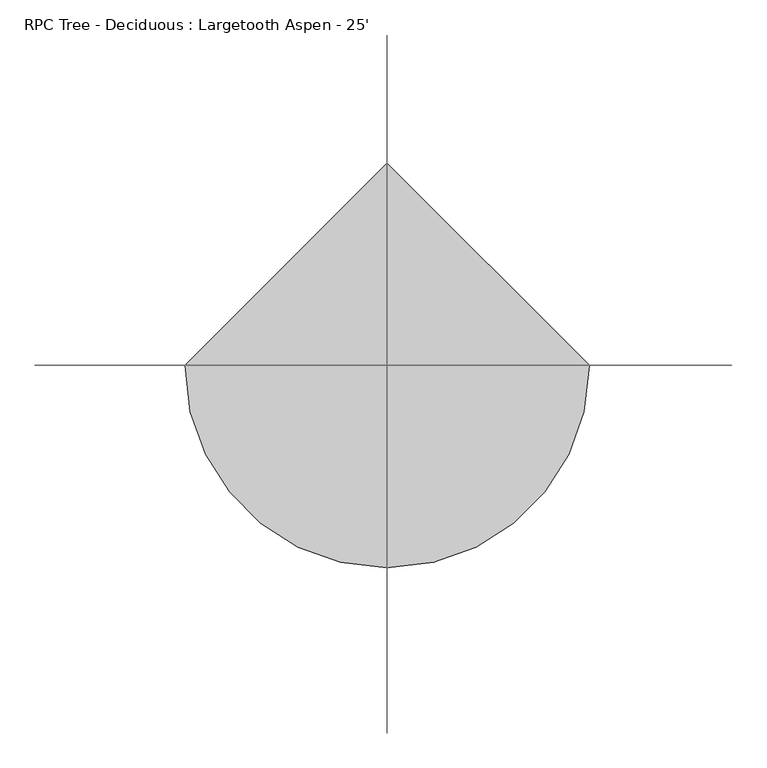
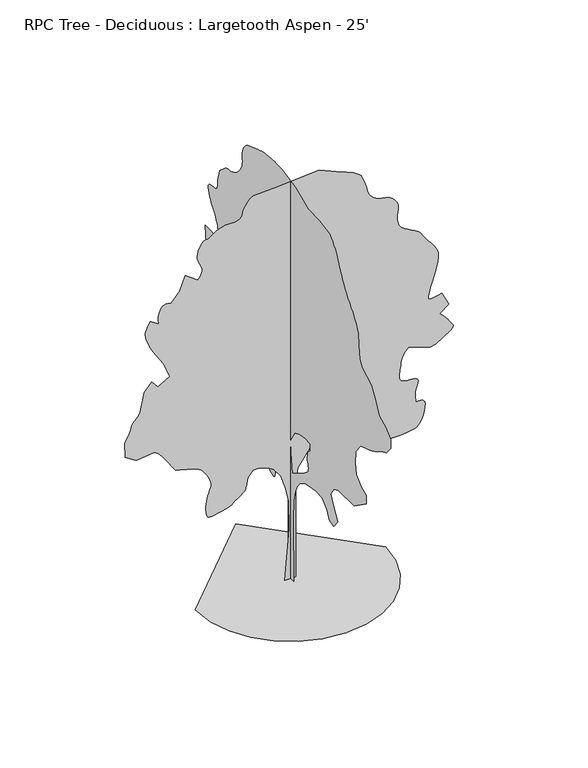
"""IFC4 building model written with IfcOpenShell, lengths in millimetres: geographic element geometry, RPC Tree - Deciduous : Largetooth Aspen - 25'."""

from ifc_helpers import new_model, si_unit, origin, place, context, project, spatial, triangles, source, transform, mapped, element, save


def rpc_tree_deciduous_largetooth_aspen_25_f6cd7aa4(model_context):
    return source(origin(), model_context, "Body", "Tessellation", [
        triangles([(93.1061447, 0.000407, 0.0055275), (-104.1894253, 0.000407, 0.0055275), (-22.9504001, 0.0003503, 951.6658939), (-34.5559031, 0.0003185, 1485.5251682), (-92.5836657, 0.0003019, 1764.061219), (-173.8237105, 0.0002874, 2007.7790462), (-301.4849952, 0.000277, 2181.8628971), (-405.9347789, 0.0002735, 2239.8916225), (-568.4133425, 0.0002701, 2297.9204933), (-684.470866, 0.0002701, 2297.9204933), (-765.710166, 0.000277, 2181.8628971), (-800.5284622, 0.000286, 2030.9895481), (-803.4037228, 0.000287, 2013.4305908), (-808.6158319, 0.0002881, 1994.9546837), (-818.4938627, 0.0002893, 1974.6550507), (-835.3797506, 0.0002907, 1951.6121258), (-861.6001705, 0.0002923, 1924.9168076), (-899.4969126, 0.0002942, 1893.6518555), (-951.4017385, 0.0002963, 1856.9058426), (-1000.9367964, 0.0002984, 1821.7851665), (-1035.041328, 0.0003, 1794.7824543), (-1061.0280413, 0.0003013, 1774.0764507), (-1086.2019407, 0.0003023, 1757.8357269), (-1117.8706472, 0.0003031, 1744.2340862), (-1163.3467958, 0.0003038, 1731.4425705), (-1229.9353912, 0.0003046, 1717.6377445), (-1303.2575146, 0.0003056, 1701.9735844), (-1364.6008633, 0.0003064, 1687.5234489), (-1414.7786144, 0.000307, 1678.356712), (-1454.6032185, 0.000307, 1678.5242889), (-1484.8875618, 0.0003062, 1692.0929375), (-1506.439444, 0.0003043, 1723.119096), (-1520.076693, 0.0003012, 1775.66647), (-1526.0305447, 0.0002975, 1838.229221), (-1525.0830734, 0.000294, 1896.7304466), (-1518.8575813, 0.0002907, 1951.3759483), (-1508.9769344, 0.0002877, 2002.3662952), (-1497.0669056, 0.0002848, 2049.9049633), (-1484.7505062, 0.0002822, 2094.1948471), (-1473.6532185, 0.0002797, 2135.4418934), (-1462.0149754, 0.0002776, 2171.5098953), (-1448.7511047, 0.0002758, 2202.2997311), (-1436.5031605, 0.000274, 2231.0600395), (-1427.9079002, 0.0002723, 2261.0397503), (-1425.6065872, 0.0002702, 2295.4845955), (-1432.2385952, 0.0002677, 2337.6435047), (-1450.4427166, 0.0002645, 2390.7649715), (-1477.2752357, 0.0002611, 2448.2171333), (-1507.353923, 0.000258, 2500.7976448), (-1539.6676483, 0.0002552, 2547.8968048), (-1573.1981598, 0.0002527, 2588.9178474), (-1606.9320019, 0.0002507, 2623.2079056), (-1639.8528122, 0.0002491, 2650.2080017), (-1670.950042, 0.0002479, 2669.3088707), (-1706.2051575, 0.000247, 2684.2184258), (-1751.2088058, 0.0002461, 2699.1535606), (-1804.330418, 0.0002453, 2714.0634064), (-1863.9491627, 0.0002444, 2728.9985413), (-1928.439703, 0.0002435, 2743.908387), (-1996.1788822, 0.0002426, 2758.8182327), (-2065.5412182, 0.0002417, 2773.7533676), (-2262.8354256, 0.0002244, 3063.8972855), (-2307.8392193, 0.0002208, 3124.7302002), (-2344.3134464, 0.0002181, 3169.7390808), (-2373.6809853, 0.0002162, 3201.539756), (-2397.3664581, 0.0002149, 3222.7742157), (-2416.7872204, 0.0002141, 3236.1091576), (-2433.3683304, 0.0002137, 3244.1609917), (-2448.5269981, 0.0002133, 3249.5711266), (-2773.4740242, 0.0002154, 3214.7732506), (-2970.7811668, 0.0002078, 3342.4334816), (-2982.3888885, 0.0001919, 3609.3616653), (-2960.1129227, 0.0001895, 3649.1127274), (-2938.5738304, 0.0001872, 3688.6606041), (-2918.4317459, 0.0001848, 3727.8273994), (-2900.4229614, 0.0001825, 3766.3590591), (-2885.2846413, 0.0001803, 3804.0779778), (-2873.6769196, 0.0001781, 3840.78097), (-2866.3363792, 0.000176, 3876.2901398), (-2854.8809738, 0.000174, 3909.843615), (-2833.1131165, 0.0001721, 3941.5934212), (-2804.8174599, 0.0001702, 3972.5051971), (-2773.8803947, 0.0001684, 4003.6457382), (-2744.1877304, 0.0001665, 4035.9798111), (-2719.5499901, 0.0001644, 4070.5745018), (-2703.8526924, 0.0001621, 4108.3951584), (-2634.2060715, 0.0001414, 4456.5779755), (-2494.950618, 0.0001324, 4607.4283607), (-2390.4982727, 0.00014, 4479.7681297), (-2169.9909473, 0.0001331, 4595.8459282), (-2286.0485435, 0.0001158, 4885.9645569), (-2471.7375, 9.85e-05, 5176.1084747), (-2494.0692764, 9.6e-05, 5217.3577011), (-2519.6494011, 9.3e-05, 5268.7673538), (-2546.0425575, 8.96e-05, 5326.2475662), (-2570.8076157, 8.6e-05, 5385.7596313), (-2591.5086777, 8.26e-05, 5443.2398438), (-2605.7325188, 7.95e-05, 5494.6494965), (-2611.0159172, 7.71e-05, 5535.8993042), (-2608.2980598, 7.5e-05, 5570.3669678), (-2600.7287544, 7.3e-05, 5604.2503647), (-2589.0701637, 7.1e-05, 5637.6006546), (-2574.1858978, 6.9e-05, 5670.544574), (-2556.863118, 6.71e-05, 5703.2088593), (-2537.9197975, 6.52e-05, 5735.6446701), (-2518.1611198, 6.32e-05, 5768.0037415), (-2367.2877708, 6.95e-05, 5663.5595352), (-2372.0934368, 6.75e-05, 5695.9697662), (-2375.8831764, 6.56e-05, 5728.8881058), (-2377.6407726, 6.35e-05, 5762.8226624), (-2376.3555313, 6.14e-05, 5798.2809631), (-2371.00891, 5.92e-05, 5835.7711166), (-2360.5873077, 5.68e-05, 5875.8018127), (-2344.077269, 5.42e-05, 5918.8799973), (-2322.4899239, 5.2e-05, 5956.5480469), (-2297.8569798, 5.05e-05, 5981.4145523), (-2270.6865452, 4.97e-05, 5995.6131042), (-2241.4867287, 4.93e-05, 6001.3028732), (-2210.7630226, 4.94e-05, 6000.5918701), (-2179.0257156, 4.97e-05, 5995.6131042), (-2146.7804455, 5.01e-05, 5988.501329), (-1995.9070965, 3.97e-05, 6162.5924469), (-1891.4573673, 2.45e-05, 6417.9129089), (-1670.950042, 3.42e-05, 6255.4298035), (-1648.8215961, 3.24e-05, 6285.3250717), (-1628.2145691, 3.06e-05, 6315.3988174), (-1610.6529957, 2.88e-05, 6345.8789337), (-1597.6609108, 2.69e-05, 6376.9683151), (-1590.7597332, 2.5e-05, 6408.8960175), (-1591.4684109, 2.31e-05, 6441.814357), (-1601.3160656, 2.1e-05, 6475.9523895), (-1617.3536041, 1.89e-05, 6510.877002), (-1634.407069, 1.68e-05, 6546.3864624), (-1650.6477928, 1.46e-05, 6583.140033), (-1664.2495789, 1.23e-05, 6621.7225616), (-1673.3859398, 9.9e-06, 6662.7183151), (-1676.2282082, 7.3e-06, 6706.761557), (-1670.950042, 4.4e-06, 6754.488295), (-1658.2957272, 1.5e-06, 6803.2306686), (-1640.7672913, -1.2e-06, 6848.9505524), (-1619.1798008, -3.6e-06, 6889.9968842), (-1594.3462875, -5.7e-06, 6924.7441818), (-1567.0742603, -7.3e-06, 6951.5663818), (-1538.1767509, -8.4e-06, 6968.8641632), (-1508.471442, -8.7e-06, 6974.9853012), (-1475.2102455, -9.2e-06, 6983.3417679), (-1435.6574272, -1.05e-05, 7004.9067307), (-1390.6206413, -1.23e-05, 7034.3706299), (-1340.9153904, -1.42e-05, 7066.4762283), (-1287.3545609, -1.59e-05, 7095.9401276), (-1230.7481323, -1.72e-05, 7117.504509), (-1171.9065931, -1.77e-05, 7125.861557), (-1111.9499331, -1.77e-05, 7125.5313446), (-1053.2124573, -1.77e-05, 7125.9882935), (-998.3307781, -1.79e-05, 7129.5188919), (-949.9463768, -1.85e-05, 7138.307309), (-910.695793, -1.94e-05, 7154.6138718), (-883.2205805, -2.1e-05, 7180.6744904), (-870.1599678, -2.32e-05, 7218.6983322), (-859.1973375, -2.62e-05, 7267.6691803), (-837.8816328, -2.94e-05, 7321.8984283), (-808.6488241, -3.27e-05, 7376.76194), (-773.9321205, -3.57e-05, 7427.5367477), (-736.1725794, -3.82e-05, 7469.5992966), (-697.8033371, -3.99e-05, 7498.2504547), (-661.2603642, -4.05e-05, 7508.8422501), (-324.6980224, -4.19e-05, 7532.0576935), (510.9103117, -4.54e-05, 7590.0965927), (928.7119898, -3.43e-05, 7404.3974625), (997.9725878, -3.27e-05, 7376.9148376), (1065.003162, -3.1e-05, 7348.7462082), (1127.5632969, -2.92e-05, 7319.1294113), (1183.4279829, -2.73e-05, 7287.4051849), (1230.3570225, -2.53e-05, 7252.8102036), (1266.1201012, -2.3e-05, 7214.6852051), (1288.4873405, -2.05e-05, 7172.2924438), (1303.3743679, -1.8e-05, 7130.6618454), (1318.0580647, -1.58e-05, 7093.7303787), (1332.3378616, -1.37e-05, 7059.0086609), (1346.0081028, -1.16e-05, 7024.0834671), (1358.8656029, -9.4e-06, 6986.5171555), (1370.7070312, -6.9e-06, 6943.8959198), (1381.3319641, -3.9e-06, 6893.7565384), (1397.2017803, -8e-07, 6841.9149353), (1423.0183731, 2e-06, 6795.9665771), (1455.9391834, 4.3e-06, 6756.1137772), (1493.1248497, 6.3e-06, 6722.5350128), (1531.7301968, 7.9e-06, 6695.4843384), (1568.915863, 9.2e-06, 6675.1134888), (1601.8392895, 1e-05, 6661.6259399), (1632.2912098, 1.04e-05, 6653.548526), (1663.5535458, 1.08e-05, 6648.1133926), (1695.0215378, 1.1e-05, 6643.6683151), (1726.0831593, 1.13e-05, 6638.6389709), (1756.1288544, 1.18e-05, 6631.3492996), (1784.5513927, 1.24e-05, 6620.2238159), (1810.7387478, 1.34e-05, 6603.6126205), (1836.0828403, 1.48e-05, 6581.0320221), (1861.4244621, 1.64e-05, 6553.8028702), (1885.3461124, 1.82e-05, 6522.9169647), (1906.4256397, 2.02e-05, 6489.3887787), (1923.2429272, 2.23e-05, 6454.2351105), (1934.3756779, 2.45e-05, 6418.4721771), (1938.4015949, 2.66e-05, 6383.0900345), (1934.8836411, 2.9e-05, 6341.7640686), (1927.3043072, 3.21e-05, 6289.6434128), (1920.1313438, 3.57e-05, 6230.2325043), (1917.8301762, 3.94e-05, 6166.9613663), (1924.8685547, 4.32e-05, 6103.2838577), (1945.7117592, 4.69e-05, 6042.6538376), (1984.8250694, 5.01e-05, 5988.501329), (2039.569693, 5.28e-05, 5943.162236), (2101.6243355, 5.51e-05, 5904.3256531), (2166.9277622, 5.72e-05, 5868.5371399), (2231.4183025, 5.94e-05, 5832.3166763), (2291.0370472, 6.18e-05, 5792.2609818), (2341.7227615, 6.46e-05, 5744.890036), (2379.4162457, 6.81e-05, 5686.7749786), (2417.9887459, 7.19e-05, 5621.9795151), (2469.1466698, 7.58e-05, 5556.3713104), (2525.585376, 7.98e-05, 5489.1376236), (2580.0024033, 8.4e-05, 5419.4657135), (2625.0618622, 8.83e-05, 5346.5422577), (2653.4845459, 9.29e-05, 5269.5800949), (2657.9549126, 9.78e-05, 5187.7164871), (2641.5719009, 0.0001035, 5093.1519104), (2615.0543335, 0.00011, 4983.9574127), (2582.4409172, 0.0001169, 4868.2862755), (2547.7697777, 0.0001237, 4754.2147499), (2515.1639191, 0.0001299, 4649.8972801), (2488.6361778, 0.000135, 4563.4609863), (2472.2607239, 0.0001386, 4502.9835732), (2471.4479828, 0.0001408, 4466.6872421), (2487.0816216, 0.000142, 4445.6050987), (2516.4161682, 0.0001425, 4437.2230522), (2556.710511, 0.0001424, 4438.9758522), (2605.2247009, 0.0001419, 4448.3482452), (2659.2248932, 0.000141, 4462.8008514), (2715.9685226, 0.00014, 4479.7681297), (2843.6287537, 0.0001552, 4224.4476677), (2681.1706467, 0.0001628, 4096.7874367), (2705.9862831, 0.0001642, 4074.3338654), (2730.6243141, 0.0001655, 4051.3466057), (2754.8559746, 0.000167, 4027.3692902), (2778.4777885, 0.0001685, 4001.8420692), (2801.2868614, 0.0001701, 3974.3085754), (2823.0802986, 0.0001719, 3944.2351204), (2843.6287537, 0.0001739, 3911.1135956), (2865.6250854, 0.0001758, 3878.8553902), (2888.8408195, 0.0001775, 3850.6614716), (2908.8050079, 0.000179, 3824.931356), (2921.0478653, 0.0001805, 3799.9886925), (2921.1240234, 0.0001821, 3774.2329971), (2904.5378265, 0.0001837, 3746.0643677), (2866.8441971, 0.0001857, 3713.8064529), (2611.523735, 0.000196, 3539.7150444), (2507.076622, 0.0001967, 3528.1073227), (2124.0931675, 0.0001891, 3655.7675537), (2096.88727, 0.0001908, 3628.2340599), (2070.5983223, 0.0001925, 3599.5829018), (2046.1355713, 0.0001943, 3568.6964149), (2024.4110252, 0.0001964, 3534.4319366), (2006.3439594, 0.0001987, 3495.74767), (1992.8439114, 0.0002013, 3451.4500832), (1984.8250694, 0.0002043, 3400.4470917), (1979.2422707, 0.0002073, 3350.9425552), (1972.8464401, 0.0002097, 3309.9723816), (1966.2475697, 0.0002118, 3274.6916862), (1960.0550697, 0.0002138, 3242.2305862), (1954.8784962, 0.0002157, 3209.7947754), (1951.3250793, 0.0002178, 3174.4887909), (1950.0068459, 0.0002203, 3133.5186172), (1959.0060059, 0.0002226, 3094.8599304), (1982.2191238, 0.0002242, 3067.1485405), (2013.9564308, 0.0002253, 3048.55578), (2048.5358608, 0.000226, 3037.3035599), (2080.2731678, 0.0002263, 3031.5123436), (2103.4861404, 0.0002265, 3029.3787529), (2112.4854458, 0.0002265, 3029.0738297), (2125.1752235, 0.0002264, 3029.9630196), (2157.148708, 0.0002264, 3030.4202591), (2199.274625, 0.0002266, 3027.2451622), (2242.4164684, 0.0002272, 3017.1614754), (2277.4354065, 0.0002284, 2996.942942), (2295.2001652, 0.0002304, 2963.2880196), (2286.5717674, 0.0002334, 2913.021611), (2265.7615551, 0.0002368, 2855.3635025), (2252.261507, 0.0002401, 2801.3633102), (2244.8497501, 0.0002431, 2750.4108971), (2242.3122597, 0.000246, 2701.871418), (2243.429924, 0.0002488, 2655.1864769), (2246.9833408, 0.0002515, 2609.7203568), (2251.7533985, 0.0002541, 2564.8385033), (2291.2047695, 0.0002539, 2569.2835808), (2328.629084, 0.0002538, 2570.4774033), (2361.9894024, 0.0002541, 2565.1434265), (2389.2612843, 0.000255, 2550.1065536), (2408.4128769, 0.0002567, 2522.0472198), (2417.4120369, 0.0002593, 2477.7574814), (2414.2319984, 0.0002631, 2413.9754734), (2401.476091, 0.0002675, 2341.0953289), (2383.2389774, 0.0002716, 2272.8811787), (2359.7236977, 0.0002752, 2211.166777), (2331.1309662, 0.0002784, 2157.7735245), (2297.6690552, 0.000281, 2114.5300884), (2259.536063, 0.0002829, 2083.2677525), (2216.9377911, 0.0002839, 2065.807917), (2176.9759861, 0.0002844, 2057.1795193), (2143.1075592, 0.0002848, 2050.7838341), (2110.049548, 0.0002851, 2046.0136311), (2072.5261116, 0.0002853, 2042.257029), (2025.2567585, 0.0002855, 2038.9092682), (1962.9659386, 0.0002857, 2035.3558514), (1880.3728695, 0.000286, 2030.9895481), (1790.6068371, 0.0002859, 2032.4449825), (1709.3674644, 0.0002851, 2045.4726757), (1635.2326, 0.0002838, 2068.1420769), (1566.7847431, 0.0002819, 2098.5255421), (1502.5989807, 0.0002798, 2134.6977528), (1441.2554867, 0.0002774, 2174.7255421), (1381.3319641, 0.0002749, 2216.6811207), (1126.0062698, 0.0002604, 2460.3989479), (859.0779408, 0.0002535, 2576.4465157), (545.7260645, 0.0002548, 2553.2563614), (394.8527518, 0.0002618, 2437.1885914), (290.4029863, 0.0002708, 2286.3152424), (127.9229058, 0.0002846, 2054.2026661), (93.1061447, 0.0003019, 1764.061219), (93.1061447, 0.0003392, 1137.3575392), (-0.0023708, 90.8437737, 1.11e-05), (-0.0023708, -94.8460457, 0.0), (-0.0023708, -83.2405405, 1160.5629541), (-0.0023708, -94.8460457, 1531.9435558), (-0.0023708, -141.2688208, 1729.2379086), (-0.0023708, -210.9025882, 1880.1112576), (-0.0023708, -303.7481383, 1996.1687084), (-0.0023708, -443.0162001, 2077.4080811), (-0.0023708, -559.0712165, 2100.6185829), (-0.0023708, -791.1838291, 2147.0420574), (-0.0023708, -988.4806526, 2135.4368065), (-0.0023708, -1139.3539289, 1984.5634575), (-0.0023708, -1208.987978, 1845.2955048), (-0.0023708, -1336.648209, 1798.8718849), (-0.0023708, -1475.9163071, 1972.9557358), (-0.0023708, -1325.0429581, 2205.0707829), (-0.0023708, -1255.4089817, 2367.5493828), (-0.0023708, -1336.648209, 2506.8150101), (-0.0023708, -1487.521558, 2576.4465157), (-0.0023708, -1974.9572124, 2576.4465157), (-0.0023708, -2357.9431377, 2843.3746994), (-0.0023708, -2357.9431377, 3005.8583862), (-0.0023708, -2195.4645378, 3075.479718), (-0.0023708, -2044.5913342, 3214.7476707), (-0.0023708, -2009.7755814, 3412.0548134), (-0.0023708, -2032.9860832, 3644.159832), (-0.0023708, -2183.8592869, 3841.466684), (-0.0023708, -2450.787616, 3934.3037498), (-0.0023708, -2495.4866318, 3951.778846), (-0.0023708, -2539.7763702, 3969.5332855), (-0.0023708, -2583.2536583, 3987.8975716), (-0.0023708, -2625.5191017, 4007.2016258), (-0.0023708, -2666.159063, 4027.6995026), (-0.0023708, -2704.7671715, 4049.7211235), (-0.0023708, -2740.9367661, 4073.5717026), (-0.0023708, -2775.734642, 4097.0920692), (-0.0023708, -2810.5580978, 4118.1742126), (-0.0023708, -2845.381263, 4137.223922), (-0.0023708, -2880.2047188, 4154.6484398), (-0.0023708, -2915.0025948, 4170.8535553), (-0.0023708, -2949.8260506, 4186.2459297), (-0.0023708, -2984.6495064, 4201.2319336), (-0.0023708, -3112.3097374, 4363.7156204), (-0.0023708, -3112.3097374, 4526.1993073), (-0.0023708, -2961.4337723, 4665.46726), (-0.0023708, -2764.1522095, 4769.9120476), (-0.0023708, -2636.4666893, 5013.6247879), (-0.0023708, -2508.8189575, 5199.3239182), (-0.0023708, -2230.2829067, 5350.1995926), (-0.0023708, -2149.0435341, 5477.860405), (-0.0023708, -2125.8305614, 5733.180867), (-0.0023708, -2102.6200596, 5942.0698608), (-0.0023708, -2077.7179459, 5994.1655182), (-0.0023708, -2052.6126469, 6045.3211166), (-0.0023708, -2027.0983612, 6094.647757), (-0.0023708, -2000.9769905, 6141.2315414), (-0.0023708, -1974.0453495, 6184.1824081), (-0.0023708, -1946.0953114, 6222.5364624), (-0.0023708, -1916.9309578, 6255.4298035), (-0.0023708, -1880.7588924, 6294.3169647), (-0.0023708, -1835.0490372, 6347.6061539), (-0.0023708, -1784.4624447, 6409.8360764), (-0.0023708, -1733.6777538, 6475.4948593), (-0.0023708, -1687.355872, 6539.1473694), (-0.0023708, -1650.170351, 6595.2811523), (-0.0023708, -1626.7896561, 6638.4104965), (-0.0023708, -1609.9062389, 6674.6559586), (-0.0023708, -1589.7741829, 6713.7465958), (-0.0023708, -1567.4070889, 6755.6568283), (-0.0023708, -1543.8256794, 6800.4366531), (-0.0023708, -1520.0386139, 6848.0360733), (-0.0023708, -1497.0642895, 6898.4806686), (-0.0023708, -1475.9163071, 6951.7698578), (-0.0023708, -1452.6372047, 7005.1352051), (-0.0023708, -1423.2671951, 7056.0623291), (-0.0023708, -1388.8223499, 7104.957019), (-0.0023708, -1350.3185955, 7152.2262268), (-0.0023708, -1308.7667713, 7198.2763229), (-0.0023708, -1265.188036, 7243.513678), (-0.0023708, -1220.5932289, 7288.3446625), (-0.0023708, -895.6335583, 7346.3585632), (-0.0023708, -547.4659656, 7357.9659943), (-0.0023708, -176.0855819, 7520.4496811), (-0.0023708, 264.9268161, 7613.2870377), (-0.0023708, 324.5456334, 7615.7252609), (-0.0023708, 383.7580439, 7617.8588516), (-0.0023708, 442.1602203, 7619.3825958), (-0.0023708, 499.3406327, 7619.9924423), (-0.0023708, 554.9005408, 7619.3825958), (-0.0023708, 608.4284509, 7617.2490051), (-0.0023708, 659.5204994, 7613.2870377), (-0.0023708, 708.649114, 7608.2065338), (-0.0023708, 756.9649876, 7602.5423447), (-0.0023708, 805.0801466, 7595.6340454), (-0.0023708, 853.6016762, 7586.8962067), (-0.0023708, 903.136734, 7575.7457245), (-0.0023708, 954.2948032, 7561.5215927), (-0.0023708, 1007.6881285, 7543.6657059), (-0.0023708, 1344.2529774, 7427.6129059), (-0.0023708, 1373.9607571, 7402.5429245), (-0.0023708, 1402.8557957, 7376.228833), (-0.0023708, 1430.1278229, 7347.5015167), (-0.0023708, 1454.9613361, 7315.141864), (-0.0023708, 1476.5488266, 7277.8801849), (-0.0023708, 1494.0772625, 7234.5479462), (-0.0023708, 1506.7315773, 7183.8748764), (-0.0023708, 1511.0952644, 7135.4627151), (-0.0023708, 1507.5418476, 7096.3970764), (-0.0023708, 1500.9454479, 7061.7770966), (-0.0023708, 1496.1727741, 7026.7507462), (-0.0023708, 1498.1031796, 6986.4659958), (-0.0023708, 1511.6032276, 6935.996402), (-0.0023708, 1541.5473301, 6870.5405136), (-0.0023708, 1582.5555828, 6804.0434097), (-0.0023708, 1625.189463, 6752.1768082), (-0.0023708, 1668.2270977, 6712.4769058), (-0.0023708, 1710.4546074, 6682.5298965), (-0.0023708, 1750.6525898, 6659.8987198), (-0.0023708, 1787.5994625, 6642.1439896), (-0.0023708, 1820.0833809, 6626.8024841), (-0.0023708, 1849.9258907, 6615.6775818), (-0.0023708, 1879.7682552, 6610.2418671), (-0.0023708, 1909.6107651, 6607.6257477), (-0.0023708, 1939.4557457, 6605.0346268), (-0.0023708, 1969.2981102, 6599.5739136), (-0.0023708, 1999.14062, 6588.4484299), (-0.0023708, 2028.9829845, 6568.7891647), (-0.0023708, 2203.0693062, 6417.9129089), (-0.0023708, 2272.7008118, 6197.4159027), (-0.0023708, 2270.435107, 6162.7197647), (-0.0023708, 2269.4877811, 6128.8613663), (-0.0023708, 2271.179393, 6096.6034515), (-0.0023708, 2276.8307922, 6066.8093399), (-0.0023708, 2287.7578869, 6040.2411942), (-0.0023708, 2305.2864681, 6017.7367538), (-0.0023708, 2330.7295372, 6000.1087601), (-0.0023708, 2366.121999, 5990.0250732), (-0.0023708, 2409.2282341, 5986.2404205), (-0.0023708, 2454.9736977, 5983.6754608), (-0.0023708, 2498.2855888, 5977.2491089), (-0.0023708, 2534.0819504, 5961.8820236), (-0.0023708, 2557.2947777, 5932.4942825), (-0.0023708, 2562.8319397, 5884.0565414), (-0.0023708, 2554.1452606, 5827.7448624), (-0.0023708, 2538.7528862, 5777.5287415), (-0.0023708, 2517.7724808, 5732.3931244), (-0.0023708, 2492.3292664, 5691.3217941), (-0.0023708, 2463.5359657, 5653.2979523), (-0.0023708, 2432.5073364, 5617.3059631), (-0.0023708, 2400.3636589, 5582.3046112), (-0.0023708, 2375.59613, 5540.0391678), (-0.0023708, 2351.4381569, 5497.9004608), (-0.0023708, 2328.49697, 5455.9402313), (-0.0023708, 2307.3844505, 5414.284053), (-0.0023708, 2288.7053581, 5373.0342453), (-0.0023708, 2273.0741901, 5332.2931274), (-0.0023708, 2261.0955608, 5292.1606934), (-0.0023708, 2254.8700687, 5254.4164856), (-0.0023708, 2255.3450397, 5220.3046143), (-0.0023708, 2261.4003387, 5189.2402313), (-0.0023708, 2271.9235336, 5160.614653), (-0.0023708, 2285.7971054, 5133.8174515), (-0.0023708, 2301.9032444, 5108.2399429), (-0.0023708, 2319.1244316, 5083.2716995), (-0.0023708, 2469.9977806, 5106.4871429), (-0.0023708, 2655.6942947, 5106.4871429), (-0.0023708, 2632.4788513, 4769.9120476), (-0.0023708, 2423.5741608, 4410.1467979), (-0.0023708, 2416.0988903, 4367.9066437), (-0.0023708, 2408.5195564, 4325.9967018), (-0.0023708, 2400.7370373, 4284.6710266), (-0.0023708, 2392.6495949, 4244.2848289), (-0.0023708, 2384.1559273, 4205.0927444), (-0.0023708, 2375.1567673, 4167.4246948), (-0.0023708, 2365.5479061, 4131.6106018), (-0.0023708, 2351.1663712, 4092.901046), (-0.0023708, 2330.0869892, 4047.8924561), (-0.0023708, 2305.5556377, 3998.8448685), (-0.0023708, 2280.8237171, 3947.9433243), (-0.0023708, 2259.134634, 3897.4737305), (-0.0023708, 2243.7397888, 3849.620256), (-0.0023708, 2237.885059, 3806.6435188), (-0.0023708, 2242.6221245, 3768.5435188), (-0.0023708, 2255.8859951, 3733.4915886), (-0.0023708, 2276.2542286, 3700.9796196), (-0.0023708, 2302.3069988, 3670.4995033), (-0.0023708, 2332.6244797, 3641.5181328), (-0.0023708, 2365.7840836, 3613.5782684), (-0.0023708, 2400.3636589, 3586.1462219), (-0.0023708, 2713.7079048, 3655.7675537), (-0.0023708, 2731.0053955, 3606.110701), (-0.0023708, 2747.5915924, 3556.834639), (-0.0023708, 2762.7552017, 3508.3968979), (-0.0023708, 2775.7599312, 3461.1529793), (-0.0023708, 2785.945356, 3415.5345428), (-0.0023708, 2792.5748932, 3371.9482498), (-0.0023708, 2794.9625381, 3330.8257599), (-0.0023708, 2781.5002785, 3291.6333847), (-0.0023708, 2746.9055878, 3253.2540413), (-0.0023708, 2699.9410126, 3215.103463), (-0.0023708, 2649.3188118, 3176.5209343), (-0.0023708, 2603.7768242, 3136.9477684), (-0.0023708, 2572.0523071, 3095.7235405), (-0.0023708, 2562.8319397, 3052.2895638), (-0.0023708, 2571.1886971, 3010.557518), (-0.0023708, 2585.6413033, 2974.3117653), (-0.0023708, 2605.1738319, 2942.6631157), (-0.0023708, 2628.7450676, 2914.6470932), (-0.0023708, 2655.3896622, 2889.3742172), (-0.0023708, 2684.0408203, 2865.9044289), (-0.0023708, 2713.7079048, 2843.3746994), (-0.0023708, 2783.3545258, 2611.2696808), (-0.0023708, 2716.5272095, 2608.9584846), (-0.0023708, 2651.6302986, 2607.7899513), (-0.0023708, 2590.5941986, 2608.8314575), (-0.0023708, 2535.3339088, 2613.225666), (-0.0023708, 2487.7955315, 2622.0902412), (-0.0023708, 2449.8987167, 2636.5428474), (-0.0023708, 2423.5741608, 2657.7008583), (-0.0023708, 2398.2655312, 2683.9137932), (-0.0023708, 2363.2136009, 2712.5649513), (-0.0023708, 2320.0387653, 2743.2479622), (-0.0023708, 2270.3665066, 2775.5823257), (-0.0023708, 2215.8225975, 2809.1102211), (-0.0023708, 2158.0326656, 2843.4508575), (-0.0023708, 2098.6169609, 2878.1981552), (-0.0023708, 2096.1482162, 2840.8347382), (-0.0023708, 2093.7783028, 2803.1919777), (-0.0023708, 2091.6141907, 2764.9143723), (-0.0023708, 2089.7523857, 2725.7219971), (-0.0023708, 2088.2969513, 2685.3360901), (-0.0023708, 2087.3496254, 2643.4008591), (-0.0023708, 2087.01171, 2599.6619591), (-0.0023708, 2085.4216908, 2554.0943916), (-0.0023708, 2079.9734768, 2509.3195084), (-0.0023708, 2069.6534672, 2469.0222588), (-0.0023708, 2053.4457355, 2436.8431183), (-0.0023708, 2030.3368263, 2416.4418926), (-0.0023708, 1999.3108131, 2411.4660336), (-0.0023708, 1959.3490082, 2425.5756374), (-0.0023708, 1914.2462379, 2451.7986008), (-0.0023708, 1868.5363827, 2480.4573166), (-0.0023708, 1822.3160934, 2511.1455597), (-0.0023708, 1775.6894337, 2543.4517273), (-0.0023708, 1728.7603214, 2576.9799133), (-0.0023708, 1681.6281693, 2611.3461296), (-0.0023708, 1634.3918083, 2646.0931366), (-0.0023708, 1355.8582283, 2727.3221901), (-0.0023708, 1077.3221775, 2634.4854149), (-0.0023708, 903.2383266, 2425.5756374), (-0.0023708, 925.671623, 2395.8678577), (-0.0023708, 948.4096247, 2366.9728191), (-0.0023708, 971.754784, 2339.7009373), (-0.0023708, 996.0142771, 2314.8672787), (-0.0023708, 1021.4930271, 2293.2799335), (-0.0023708, 1048.4931959, 2275.7513523), (-0.0023708, 1077.3221775, 2263.0970375), (-0.0023708, 1104.7973173, 2250.7806381), (-0.0023708, 1128.0078192, 2234.2021442), (-0.0023708, 1147.667375, 2214.0700882), (-0.0023708, 1164.4821917, 2191.0957638), (-0.0023708, 1179.1684319, 2165.9904648), (-0.0023708, 1192.4323025, 2139.4627235), (-0.0023708, 1204.984952, 2112.2238338), (-0.0023708, 1172.5694887, 2104.7129551), (-0.0023708, 1139.6486057, 2096.8974438), (-0.0023708, 1105.7091803, 2088.4722313), (-0.0023708, 1070.2508068, 2079.1326851), (-0.0023708, 1032.7604353, 2068.576498), (-0.0023708, 992.7325733, 2056.4962761), (-0.0023708, 949.6593304, 2042.5897121), (-0.0023708, 906.5885582, 2025.6403107), (-0.0023708, 866.5607689, 2005.0332836), (-0.0023708, 829.0703974, 1981.383419), (-0.0023708, 793.6094805, 1955.2951859), (-0.0023708, 759.6725985, 1927.3806107), (-0.0023708, 726.7517155, 1898.2467785), (-0.0023708, 694.3362522, 1868.5060066), (-0.0023708, 694.3362522, 1706.0274067), (-0.0023708, 652.3120005, 1679.1287579), (-0.0023708, 611.8117109, 1654.968314), (-0.0023708, 574.3543679, 1636.2916924), (-0.0023708, 541.4665134, 1625.8370979), (-0.0023708, 514.6695299, 1626.3450611), (-0.0023708, 495.4849088, 1640.556403), (-0.0023708, 485.4341414, 1671.2116539), (-0.0023708, 480.5294263, 1705.9588062), (-0.0023708, 476.0285382, 1733.1976959), (-0.0023708, 472.3404639, 1756.7815762), (-0.0023708, 469.8715739, 1780.5661709), (-0.0023708, 469.025768, 1808.4147617), (-0.0023708, 470.2094167, 1844.1778404), (-0.0023708, 473.8288905, 1891.7165085), (-0.0023708, 476.7727515, 1943.7229271), (-0.0023708, 476.0615667, 1990.8550793), (-0.0023708, 472.3074354, 2033.9283222), (-0.0023708, 466.1149355, 2073.7529263), (-0.0023708, 458.0961662, 2111.1417778), (-0.0023708, 448.8581763, 2146.9074726), (-0.0023708, 439.0131741, 2181.8578102), (-0.0023708, 241.7168229, 2193.4630611), (-0.0023708, 137.2665396, 1996.1687084), (-0.0023708, 79.2382684, 1659.6039322), (-0.0023708, 79.2382684, 1230.1970032), (-0.0023708, 79.2382684, 591.8879997), (-0.0022508, -48.4240337, 2030.9844612), (-0.0022508, -2.0012081, 2402.3651356), (-0.0022508, 9.6043397, 2622.8776932), (-0.0022508, -129.6633155, 2843.3746994), (-0.0022508, -280.5376365, 2913.021611), (-0.0022508, -454.621451, 2936.2117653), (-0.0022508, -617.0999783, 2936.2117653), (-0.0022508, -617.0999783, 2796.9691017), (-0.0022508, -535.8607146, 2727.3221901), (-0.0022508, -512.6502128, 2564.8385033), (-0.0022508, -522.5282799, 2554.7295273), (-0.0022508, -532.0024836, 2543.6043343), (-0.0022508, -540.6638735, 2530.4344986), (-0.0022508, -548.1085862, 2514.226767), (-0.0022508, -553.9277441, 2493.9573647), (-0.0022508, -557.717411, 2468.6158882), (-0.0022508, -559.0712165, 2437.1808884), (-0.0022508, -555.6879564, 2404.7324329), (-0.0022508, -546.2137527, 2376.5486881), (-0.0022508, -531.6646408, 2351.915744), (-0.0022508, -513.0540762, 2330.1250683), (-0.0022508, -491.4006014, 2310.4679832), (-0.0022508, -467.7151285, 2292.2308697), (-0.0022508, -443.0162001, 2274.7022884), (-1711.8591728, 0.0, 0.0031267), (-1666.6040863, -392.2441901, 0.0031033), (-1537.7144245, -752.4590126, 0.0030819), (-1335.5154293, -1070.3218781, 0.0030629), (-1070.3218781, -1335.5154293, 0.0030471), (-752.4590126, -1537.7144245, 0.0030351), (-392.2441901, -1666.6040863, 0.0030274), (7.5e-05, -1711.8591728, 0.0030247), (392.2441901, -1666.6040863, 0.0030274), (752.4590126, -1537.7144245, 0.0030351), (1070.3218781, -1335.5154293, 0.0030471), (1335.5154293, -1070.3218781, 0.0030629), (1537.7144245, -752.4590126, 0.0030819), (1666.6040863, -392.2441901, 0.0031033), (1711.8591728, 0.0001497, 0.0031267), (-0.0002251, 1711.8591728, 0.0032287)], [[122, 123, 124], [87, 88, 89], [1, 2, 3], [329, 1, 3], [329, 3, 4], [328, 329, 4], [328, 4, 5], [105, 106, 107], [327, 328, 5], [327, 5, 6], [104, 105, 107], [238, 239, 240], [238, 240, 241], [237, 238, 241], [236, 237, 241], [103, 104, 107], [86, 87, 89], [235, 236, 241], [102, 103, 107], [101, 102, 107], [100, 101, 107], [99, 100, 107], [98, 99, 107], [97, 98, 107], [96, 97, 107], [327, 6, 7], [326, 327, 7], [95, 96, 107], [70, 71, 72], [69, 70, 72], [69, 72, 73], [69, 73, 74], [69, 74, 75], [69, 75, 76], [69, 76, 77], [69, 77, 78], [94, 95, 107], [234, 235, 241], [93, 94, 107], [69, 78, 79], [69, 79, 80], [69, 80, 81], [69, 81, 82], [69, 82, 83], [69, 83, 84], [69, 84, 85], [68, 69, 85], [325, 326, 7], [325, 7, 8], [67, 68, 85], [92, 93, 107], [91, 92, 107], [60, 61, 62], [67, 85, 86], [67, 86, 89], [67, 89, 90], [66, 67, 90], [65, 66, 90], [64, 65, 90], [63, 64, 90], [62, 63, 90], [60, 62, 90], [59, 60, 90], [58, 59, 90], [57, 58, 90], [56, 57, 90], [55, 56, 90], [54, 55, 90], [53, 54, 90], [284, 285, 286], [283, 284, 286], [282, 283, 286], [282, 286, 287], [281, 282, 287], [280, 281, 287], [279, 280, 287], [279, 287, 288], [278, 279, 288], [277, 278, 288], [277, 288, 289], [276, 277, 289], [275, 276, 289], [275, 289, 290], [52, 53, 90], [325, 8, 9], [121, 122, 124], [275, 290, 291], [30, 31, 32], [29, 30, 32], [29, 32, 33], [28, 29, 33], [28, 33, 34], [27, 28, 34], [27, 34, 35], [27, 35, 36], [26, 27, 36], [26, 36, 37], [26, 37, 38], [25, 26, 38], [25, 38, 39], [24, 25, 39], [23, 24, 39], [22, 23, 39], [21, 22, 39], [20, 21, 39], [20, 39, 40], [20, 40, 41], [20, 41, 42], [19, 20, 42], [19, 42, 43], [18, 19, 43], [18, 43, 44], [17, 18, 44], [16, 17, 44], [15, 16, 44], [14, 15, 44], [13, 14, 44], [12, 13, 44], [11, 12, 44], [11, 44, 45], [11, 45, 46], [10, 11, 46], [10, 46, 47], [10, 47, 48], [10, 48, 49], [10, 49, 50], [10, 50, 51], [252, 253, 254], [251, 252, 254], [251, 254, 255], [250, 251, 255], [249, 250, 255], [249, 255, 256], [248, 249, 256], [247, 248, 256], [246, 247, 256], [245, 246, 256], [245, 256, 257], [245, 257, 258], [244, 245, 258], [243, 244, 258], [242, 243, 258], [241, 242, 258], [234, 241, 258], [233, 234, 258], [274, 275, 291], [324, 325, 9], [51, 52, 90], [10, 51, 90], [9, 10, 90], [324, 9, 90], [323, 324, 90], [323, 90, 91], [323, 91, 107], [323, 107, 108], [323, 108, 109], [323, 109, 110], [323, 110, 111], [323, 111, 112], [323, 112, 113], [323, 113, 114], [323, 114, 115], [323, 115, 116], [323, 116, 117], [323, 117, 118], [323, 118, 119], [323, 119, 120], [323, 120, 121], [323, 121, 124], [323, 124, 125], [323, 125, 126], [323, 126, 127], [323, 127, 128], [323, 128, 129], [322, 323, 129], [322, 129, 130], [167, 168, 169], [274, 291, 292], [296, 297, 298], [296, 298, 299], [295, 296, 299], [294, 295, 299], [294, 299, 300], [293, 294, 300], [293, 300, 301], [293, 301, 302], [293, 302, 303], [293, 303, 304], [293, 304, 305], [293, 305, 306], [293, 306, 307], [293, 307, 308], [293, 308, 309], [293, 309, 310], [293, 310, 311], [293, 311, 312], [293, 312, 313], [293, 313, 314], [293, 314, 315], [293, 315, 316], [293, 316, 317], [293, 317, 318], [293, 318, 319], [292, 293, 319], [274, 292, 319], [274, 319, 320], [274, 320, 321], [274, 321, 322], [273, 274, 322], [273, 322, 130], [272, 273, 130], [271, 272, 130], [270, 271, 130], [269, 270, 130], [268, 269, 130], [267, 268, 130], [266, 267, 130], [265, 266, 130], [264, 265, 130], [263, 264, 130], [262, 263, 130], [261, 262, 130], [260, 261, 130], [259, 260, 130], [258, 259, 130], [233, 258, 130], [232, 233, 130], [231, 232, 130], [230, 231, 130], [229, 230, 130], [228, 229, 130], [227, 228, 130], [226, 227, 130], [225, 226, 130], [224, 225, 130], [223, 224, 130], [222, 223, 130], [221, 222, 130], [220, 221, 130], [219, 220, 130], [218, 219, 130], [217, 218, 130], [216, 217, 130], [215, 216, 130], [214, 215, 130], [213, 214, 130], [212, 213, 130], [211, 212, 130], [210, 211, 130], [209, 210, 130], [208, 209, 130], [207, 208, 130], [206, 207, 130], [205, 206, 130], [204, 205, 130], [203, 204, 130], [202, 203, 130], [201, 202, 130], [200, 201, 130], [199, 200, 130], [198, 199, 130], [197, 198, 130], [196, 197, 130], [195, 196, 130], [194, 195, 130], [193, 194, 130], [192, 193, 130], [191, 192, 130], [190, 191, 130], [189, 190, 130], [188, 189, 130], [187, 188, 130], [186, 187, 130], [185, 186, 130], [184, 185, 130], [183, 184, 130], [182, 183, 130], [181, 182, 130], [180, 181, 130], [179, 180, 130], [178, 179, 130], [177, 178, 130], [176, 177, 130], [175, 176, 130], [174, 175, 130], [173, 174, 130], [172, 173, 130], [171, 172, 130], [170, 171, 130], [169, 170, 130], [167, 169, 130], [167, 130, 131], [167, 131, 132], [167, 132, 133], [167, 133, 134], [167, 134, 135], [167, 135, 136], [164, 165, 166], [164, 166, 167], [163, 164, 167], [162, 163, 167], [161, 162, 167], [160, 161, 167], [159, 160, 167], [158, 159, 167], [143, 144, 145], [142, 143, 145], [141, 142, 145], [140, 141, 145], [140, 145, 146], [139, 140, 146], [138, 139, 146], [137, 138, 146], [136, 137, 146], [136, 146, 147], [136, 147, 148], [136, 148, 149], [136, 149, 150], [136, 150, 151], [136, 151, 152], [136, 152, 153], [136, 153, 154], [136, 154, 155], [136, 155, 156], [157, 158, 167], [157, 167, 136], [157, 136, 156], [634, 330, 635], [633, 634, 635], [632, 633, 635], [631, 632, 635], [540, 541, 542], [592, 593, 594], [494, 495, 496], [635, 330, 331], [635, 331, 332], [635, 332, 333], [635, 333, 334], [635, 334, 335], [658, 635, 335], [658, 335, 336], [658, 336, 337], [658, 337, 338], [540, 542, 543], [657, 658, 338], [631, 635, 636], [630, 631, 636], [518, 519, 520], [656, 657, 338], [656, 338, 339], [655, 656, 339], [654, 655, 339], [653, 654, 339], [540, 543, 544], [539, 540, 544], [518, 520, 521], [539, 544, 545], [538, 539, 545], [538, 545, 546], [538, 546, 547], [538, 547, 548], [537, 538, 548], [537, 548, 549], [536, 537, 549], [536, 549, 550], [536, 550, 551], [535, 536, 551], [535, 551, 552], [534, 535, 552], [493, 494, 496], [493, 496, 497], [343, 344, 345], [342, 343, 345], [341, 342, 345], [340, 341, 345], [340, 345, 346], [534, 552, 553], [533, 534, 553], [518, 521, 522], [350, 351, 352], [349, 350, 352], [349, 352, 353], [348, 349, 353], [533, 553, 554], [652, 653, 339], [518, 522, 523], [518, 523, 524], [533, 554, 555], [532, 533, 555], [518, 524, 525], [518, 525, 526], [518, 526, 527], [518, 527, 528], [518, 528, 529], [518, 529, 530], [518, 530, 531], [518, 531, 532], [518, 532, 555], [517, 518, 555], [516, 517, 555], [515, 516, 555], [607, 608, 609], [591, 592, 594], [591, 594, 595], [590, 591, 595], [590, 595, 596], [589, 590, 596], [588, 589, 596], [588, 596, 597], [587, 588, 597], [586, 587, 597], [586, 597, 598], [585, 586, 598], [585, 598, 599], [584, 585, 599], [584, 599, 600], [583, 584, 600], [583, 600, 601], [582, 583, 601], [514, 515, 555], [643, 644, 645], [630, 636, 637], [629, 630, 637], [581, 582, 601], [581, 601, 602], [348, 353, 354], [580, 581, 602], [580, 602, 603], [579, 580, 603], [651, 652, 339], [651, 339, 340], [651, 340, 346], [650, 651, 346], [649, 650, 346], [649, 346, 347], [648, 649, 347], [647, 648, 347], [646, 647, 347], [372, 373, 374], [371, 372, 374], [370, 371, 374], [369, 370, 374], [369, 374, 375], [368, 369, 375], [367, 368, 375], [366, 367, 375], [365, 366, 375], [364, 365, 375], [363, 364, 375], [362, 363, 375], [361, 362, 375], [360, 361, 375], [359, 360, 375], [358, 359, 375], [357, 358, 375], [356, 357, 375], [356, 375, 376], [356, 376, 377], [356, 377, 378], [645, 646, 347], [643, 645, 347], [642, 643, 347], [641, 642, 347], [641, 347, 348], [641, 348, 354], [641, 354, 355], [607, 609, 610], [513, 514, 555], [579, 603, 604], [607, 610, 611], [607, 611, 612], [607, 612, 613], [607, 613, 614], [607, 614, 615], [607, 615, 616], [607, 616, 617], [607, 617, 618], [607, 618, 619], [607, 619, 620], [607, 620, 621], [607, 621, 622], [607, 622, 623], [607, 623, 624], [606, 607, 624], [606, 624, 625], [605, 606, 625], [605, 625, 626], [604, 605, 626], [579, 604, 626], [579, 626, 627], [579, 627, 628], [579, 628, 629], [579, 629, 637], [578, 579, 637], [578, 637, 638], [355, 356, 378], [641, 355, 378], [641, 378, 379], [640, 641, 379], [639, 640, 379], [639, 379, 380], [639, 380, 381], [639, 381, 382], [639, 382, 383], [639, 383, 384], [639, 384, 385], [639, 385, 386], [639, 386, 387], [639, 387, 388], [639, 388, 389], [639, 389, 390], [639, 390, 391], [639, 391, 392], [639, 392, 393], [639, 393, 394], [639, 394, 395], [638, 639, 395], [578, 638, 395], [577, 578, 395], [577, 395, 396], [577, 396, 397], [577, 397, 398], [577, 398, 399], [577, 399, 400], [577, 400, 401], [577, 401, 402], [577, 402, 403], [577, 403, 404], [577, 404, 405], [577, 405, 406], [577, 406, 407], [577, 407, 408], [577, 408, 409], [577, 409, 410], [577, 410, 411], [577, 411, 412], [577, 412, 413], [577, 413, 414], [577, 414, 415], [577, 415, 416], [577, 416, 417], [577, 417, 418], [577, 418, 419], [577, 419, 420], [577, 420, 421], [577, 421, 422], [577, 422, 423], [577, 423, 424], [577, 424, 425], [577, 425, 426], [577, 426, 427], [577, 427, 428], [577, 428, 429], [577, 429, 430], [577, 430, 431], [577, 431, 432], [577, 432, 433], [577, 433, 434], [566, 567, 568], [566, 568, 569], [565, 566, 569], [564, 565, 569], [564, 569, 570], [563, 564, 570], [563, 570, 571], [562, 563, 571], [562, 571, 572], [561, 562, 572], [560, 561, 572], [560, 572, 573], [559, 560, 573], [559, 573, 574], [558, 559, 574], [558, 574, 575], [557, 558, 575], [556, 557, 575], [556, 575, 576], [555, 556, 576], [513, 555, 576], [513, 576, 577], [512, 513, 577], [511, 512, 577], [470, 471, 472], [469, 470, 472], [468, 469, 472], [468, 472, 473], [467, 468, 473], [467, 473, 474], [467, 474, 475], [466, 467, 475], [466, 475, 476], [466, 476, 477], [465, 466, 477], [465, 477, 478], [465, 478, 479], [464, 465, 479], [464, 479, 480], [464, 480, 481], [464, 481, 482], [463, 464, 482], [456, 457, 458], [456, 458, 459], [456, 459, 460], [510, 511, 577], [463, 482, 483], [455, 456, 460], [454, 455, 460], [453, 454, 460], [452, 453, 460], [451, 452, 460], [450, 451, 460], [450, 460, 461], [449, 450, 461], [449, 461, 462], [463, 483, 484], [492, 493, 497], [448, 449, 462], [447, 448, 462], [491, 492, 497], [462, 463, 484], [447, 462, 484], [447, 484, 485], [446, 447, 485], [446, 485, 486], [445, 446, 486], [445, 486, 487], [444, 445, 487], [444, 487, 488], [491, 497, 498], [509, 510, 577], [491, 498, 499], [491, 499, 500], [490, 491, 500], [490, 500, 501], [490, 501, 502], [490, 502, 503], [490, 503, 504], [490, 504, 505], [490, 505, 506], [490, 506, 507], [490, 507, 508], [490, 508, 509], [490, 509, 577], [489, 490, 577], [488, 489, 577], [444, 488, 577], [443, 444, 577], [442, 443, 577], [441, 442, 577], [440, 441, 577], [435, 436, 437], [434, 435, 437], [434, 437, 438], [434, 438, 439], [577, 434, 439], [440, 577, 439], [673, 674, 659], [672, 673, 659], [672, 659, 660], [671, 672, 660], [671, 660, 661], [671, 661, 662], [670, 671, 662], [669, 670, 662], [669, 662, 663], [669, 663, 664], [669, 664, 665], [669, 665, 666], [669, 666, 667], [669, 667, 668]], closed=False),
    ])


if __name__ == "__main__":
    model = new_model("IFC4")
    model_context = context("Model", 3, world=origin())
    ifc_project = project(units=[si_unit("LENGTHUNIT", "METRE", prefix="MILLI")], contexts=[model_context])
    site = spatial("IfcSite", under=ifc_project)
    building = spatial("IfcBuilding", under=site)
    placement = place(None, origin())
    rpc_tree_deciduous_largetooth_aspen_25_shape = rpc_tree_deciduous_largetooth_aspen_25_f6cd7aa4(model_context)
    element("IfcGeographicElement", 1, ObjectType="RPC Tree - Deciduous : Largetooth Aspen - 25'", at=placement, inside=building, context=model_context, shape_type="MappedRepresentation", body=[
        mapped(rpc_tree_deciduous_largetooth_aspen_25_shape, transform((0.0, 0.0, 0.0), x_axis=(1.0, 0.0, 0.0), y_axis=(0.0, 1.0, 0.0), z_axis=(0.0, 0.0, 1.0))),
    ])
    save(model, "model.ifc")
